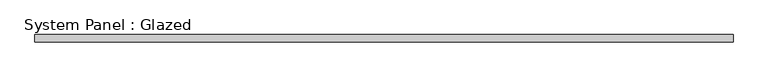
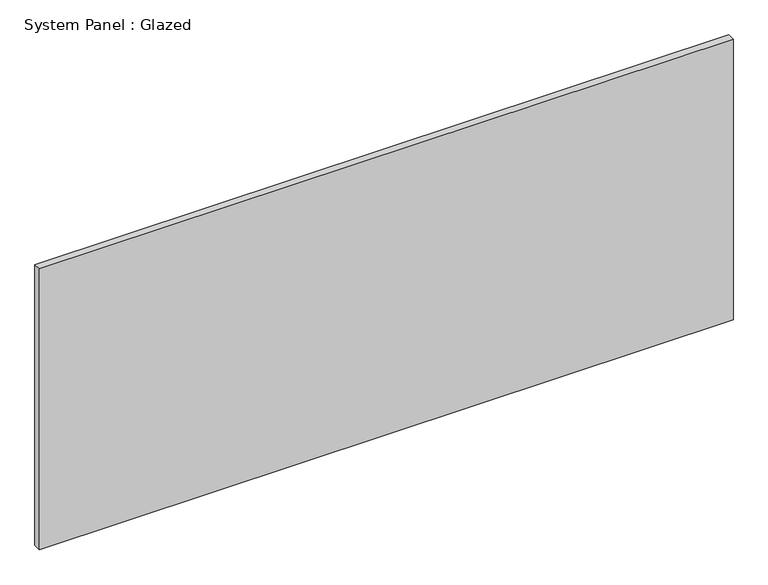
"""IFC4 building model written with IfcOpenShell, lengths in millimetres: plate geometry, System Panel : Glazed."""

from ifc_helpers import new_model, si_unit, origin, origin_with_axes, place, context, project, spatial, polyline, outline, extrude, source, transform, mapped, element, save


def system_panel_glazed_f0117b2b(model_context):
    return source(origin(), model_context, "Body", "SweptSolid", [
        extrude(outline(polyline([(1169.1991714, 24.5), (-1169.1991714, 24.5), (-1169.1991714, 49.5), (1169.1991714, 49.5), (1169.1991714, 24.5)])), origin_with_axes(), (0.0, 0.0, 1.0), 1000.0),
    ])


if __name__ == "__main__":
    model = new_model("IFC4")
    model_context = context("Model", 3, world=origin())
    ifc_project = project(units=[si_unit("LENGTHUNIT", "METRE", prefix="MILLI")], contexts=[model_context])
    site = spatial("IfcSite", under=ifc_project)
    building = spatial("IfcBuilding", under=site)
    placement = place(None, origin())
    system_panel_glazed_shape = system_panel_glazed_f0117b2b(model_context)
    element("IfcPlate", 1, ObjectType="System Panel : Glazed", at=placement, inside=building, context=model_context, shape_type="MappedRepresentation", body=[
        mapped(system_panel_glazed_shape, transform((0.0, 0.0, 0.0), x_axis=(1.0, 0.0, 0.0), y_axis=(0.0, 1.0, 0.0), z_axis=(0.0, 0.0, 1.0))),
    ])
    save(model, "model.ifc")
